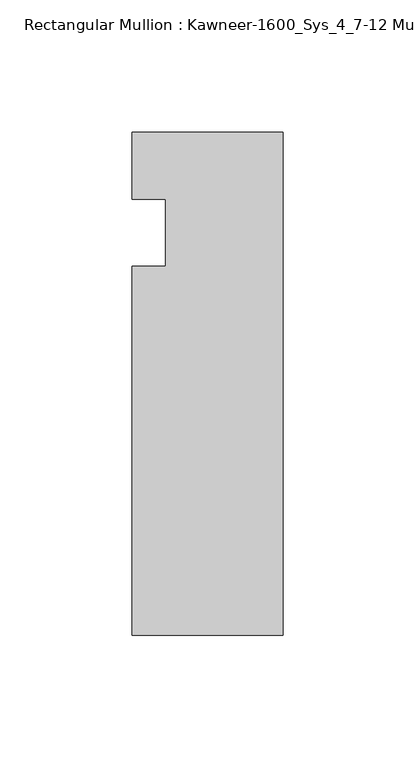
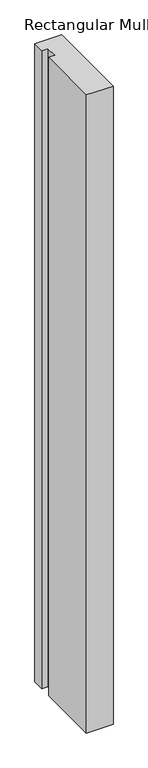
"""IFC4 building model written with IfcOpenShell, lengths in millimetres: member geometry, Rectangular Mullion : Kawneer-1600_Sys_4_7-12 Mullion_Head."""

from ifc_helpers import new_model, si_unit, frame, origin, place, context, project, spatial, polyline, outline, extrude, source, transform, mapped, element, save


def rectangular_mullion_kawneer_1600_sys_4_7_12_mullion_head_03cdaa00(model_context):
    return source(origin(), model_context, "Body", "SweptSolid", [
        extrude(outline(polyline([(-57.15, -152.4), (-57.15, -12.7), (-44.4482296, -12.7), (-44.4482296, 12.7), (-57.15, 12.7), (-57.15, 38.1), (0.0, 38.1), (0.0, -152.4), (-57.15, -152.4)])), frame((0.0, 0.0, -1442.6094027), z_axis=(0.0, 0.0, 1.0), x_axis=(1.0, 0.0, 0.0)), (0.0, 0.0, 1.0), 1442.6094027),
    ])


if __name__ == "__main__":
    model = new_model("IFC4")
    model_context = context("Model", 3, world=origin())
    ifc_project = project(units=[si_unit("LENGTHUNIT", "METRE", prefix="MILLI")], contexts=[model_context])
    site = spatial("IfcSite", under=ifc_project)
    building = spatial("IfcBuilding", under=site)
    placement = place(None, origin())
    rectangular_mullion_kawneer_1600_sys_4_7_12_mullion_head_shape = rectangular_mullion_kawneer_1600_sys_4_7_12_mullion_head_03cdaa00(model_context)
    element("IfcMember", 1, ObjectType="Rectangular Mullion : Kawneer-1600_Sys_4_7-12 Mullion_Head", at=placement, inside=building, context=model_context, shape_type="MappedRepresentation", body=[
        mapped(rectangular_mullion_kawneer_1600_sys_4_7_12_mullion_head_shape, transform((0.0, 0.0, 0.0), x_axis=(1.0, 0.0, 0.0), y_axis=(0.0, 1.0, 0.0), z_axis=(0.0, 0.0, 1.0))),
    ])
    save(model, "model.ifc")
